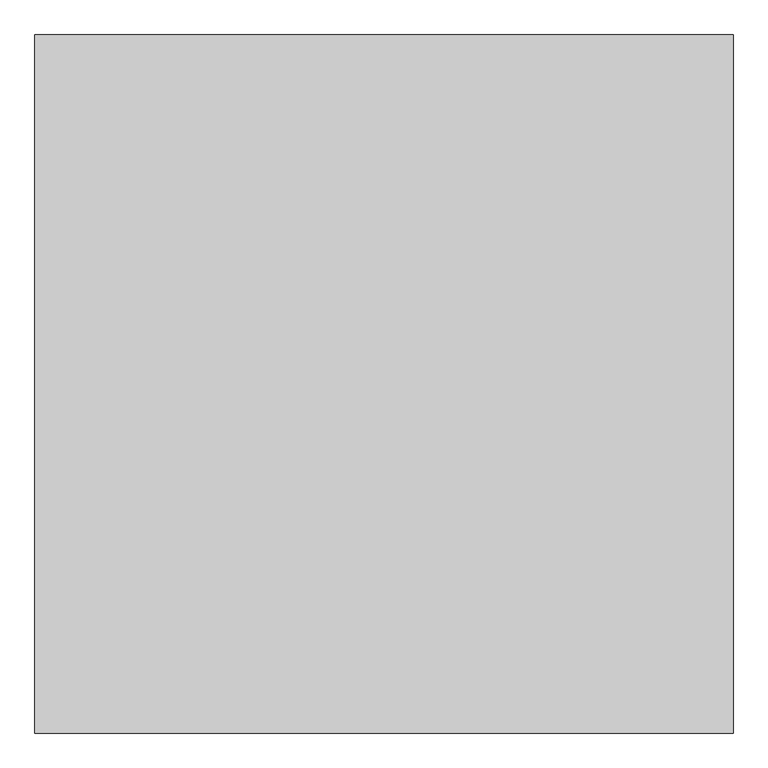
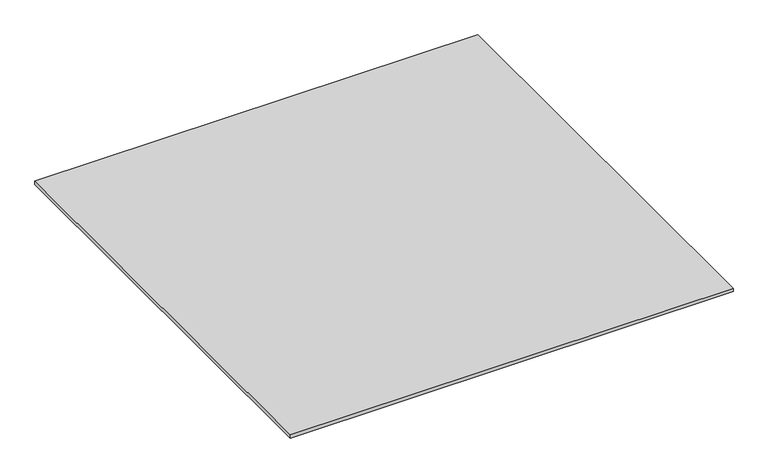
"""IFC4 building model written with IfcOpenShell, lengths in millimetres: proxy geometry."""

from ifc_helpers import new_model, si_unit, origin, origin_with_axes, place, context, project, spatial, polyline, outline, extrude, source, transform, mapped, element, save


def generic_models_81855a24(model_context):
    return source(origin(), model_context, "Body", "SweptSolid", [
        extrude(outline(polyline([(20000.0, 20000.0), (20000.0, 0.0), (0.0, 0.0), (0.0, 20000.0), (20000.0, 20000.0)])), origin_with_axes(), (0.0, 0.0, 1.0), 150.0),
    ])


if __name__ == "__main__":
    model = new_model("IFC4")
    model_context = context("Model", 3, world=origin())
    ifc_project = project(units=[si_unit("LENGTHUNIT", "METRE", prefix="MILLI")], contexts=[model_context])
    site = spatial("IfcSite", under=ifc_project)
    building = spatial("IfcBuilding", under=site)
    placement = place(None, origin())
    generic_models_shape = generic_models_81855a24(model_context)
    element("IfcBuildingElementProxy", 1, Name="Generic Models", at=placement, inside=building, context=model_context, shape_type="MappedRepresentation", body=[
        mapped(generic_models_shape, transform((0.0, 0.0, 0.0), x_axis=(1.0, 0.0, 0.0), y_axis=(0.0, 1.0, 0.0), z_axis=(0.0, 0.0, 1.0))),
    ])
    save(model, "model.ifc")
